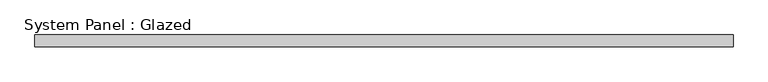
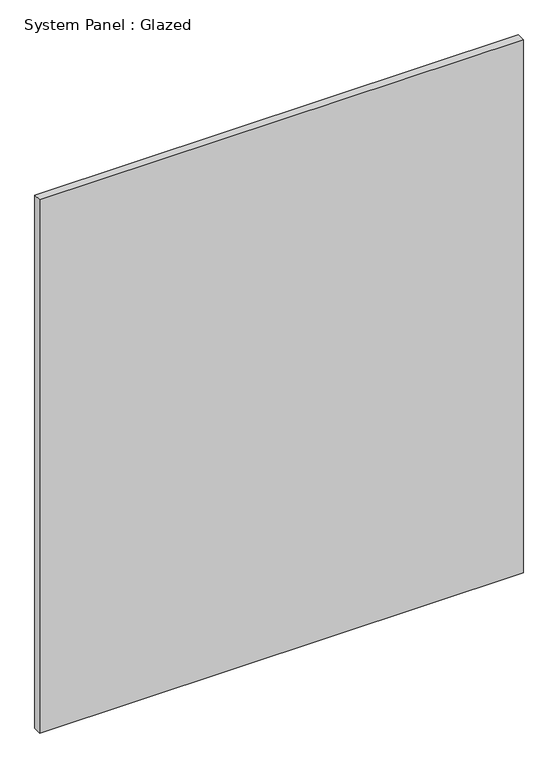
"""IFC4 building model written with IfcOpenShell, lengths in millimetres: plate geometry, System Panel : Glazed."""

from ifc_helpers import new_model, si_unit, origin, origin_with_axes, place, context, project, spatial, polyline, outline, extrude, source, transform, mapped, element, save


def system_panel_glazed_dd9a4194(model_context):
    return source(origin(), model_context, "Body", "SweptSolid", [
        extrude(outline(polyline([(731.7501169, 24.5), (-731.7501169, 24.5), (-731.7501169, 49.5), (731.7501169, 49.5), (731.7501169, 24.5)])), origin_with_axes(), (0.0, 0.0, 1.0), 1705.0),
    ])


if __name__ == "__main__":
    model = new_model("IFC4")
    model_context = context("Model", 3, world=origin())
    ifc_project = project(units=[si_unit("LENGTHUNIT", "METRE", prefix="MILLI")], contexts=[model_context])
    site = spatial("IfcSite", under=ifc_project)
    building = spatial("IfcBuilding", under=site)
    placement = place(None, origin())
    system_panel_glazed_shape = system_panel_glazed_dd9a4194(model_context)
    element("IfcPlate", 1, ObjectType="System Panel : Glazed", at=placement, inside=building, context=model_context, shape_type="MappedRepresentation", body=[
        mapped(system_panel_glazed_shape, transform((0.0, 0.0, 0.0), x_axis=(1.0, 0.0, 0.0), y_axis=(0.0, 1.0, 0.0), z_axis=(0.0, 0.0, 1.0))),
    ])
    save(model, "model.ifc")
